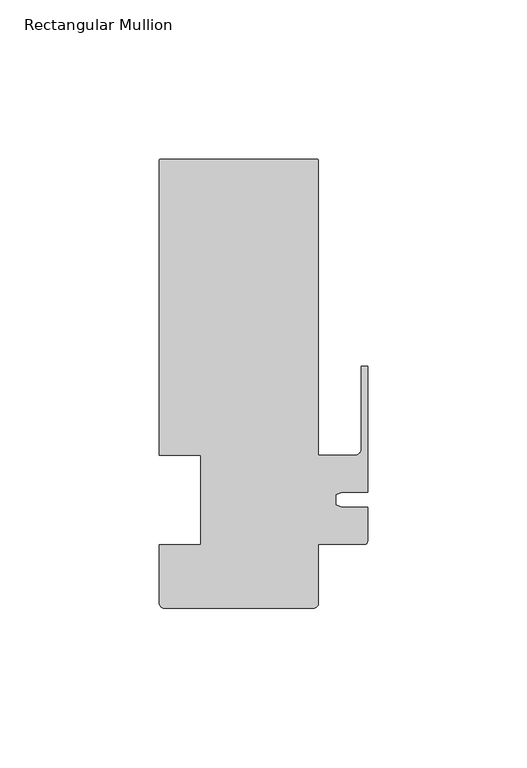
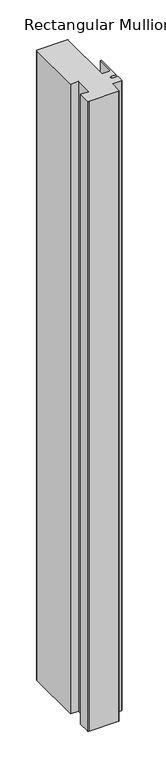
"""IFC4 building model written with IfcOpenShell, lengths in millimetres: member geometry, Rectangular Mullion."""

from ifc_helpers import new_model, si_unit, frame, origin, place, context, project, spatial, polyline, circle_curve, source, transform, mapped, element, save
from ifc_brep_helpers import plane_surface, cylinder_surface, revolved_surface, advanced_brep


def rectangular_mullion_b215a76e(model_context):
    return source(origin(), model_context, "Body", "AdvancedBrep", [
        advanced_brep(
        [(-64.9119017, 107.000001, 0.0), (-65.4119017, 106.500001, 0.0), (-65.4119017, 14.0, 0.0), (-52.4119017, 14.0, 0.0), (-52.4119017, -14.0, 0.0), (-65.4119018, -14.0, 0.0), (-65.4119018, -32.4268412, 0.0), (-63.838744, -33.999999, 0.0), (-17.0294441, -33.999999, 0.0), (-15.4119017, -32.3824565, 0.0), (-15.4119017, -14.0, 0.0), (-1.0000001, -14.0, 0.0), (0.0, -12.9950012, 0.0), (0.0, -2.3717384, 0.0), (-8.0873177, -2.3717384, 0.0), (-9.9999999, -1.4798401, 0.0), (-9.9999999, 1.5598311, 0.0), (-8.1376447, 2.4282616, 0.0), (0.0, 2.4282616, 0.0), (0.0, 42.000001, 0.0), (-2.0000001, 42.000001, 0.0), (-2.0000001, 16.0000006, 0.0), (-4.0, 14.0000007, 0.0), (-15.4119017, 14.0, 0.0), (-15.4119017, 106.500001, 0.0), (-15.9119017, 107.000001, 0.0), (-64.9119017, 107.000001, -1050.0), (-15.9119017, 107.000001, -1050.0), (-15.4119017, 106.500001, -1050.0), (-15.4119017, 14.0, -1050.0), (-3.9999999, 14.0, -1050.0), (-2.0000001, 16.0000006, -1050.0), (-2.0000001, 42.000001, -1050.0), (0.0, 42.000001, -1050.0), (0.0, 2.4282616, -1050.0), (-8.1376447, 2.4282616, -1050.0), (-9.9999999, 1.5598311, -1050.0), (-9.9999999, -1.4798401, -1050.0), (-8.0873177, -2.3717384, -1050.0), (0.0, -2.3717384, -1050.0), (0.0, -12.9950012, -1050.0), (-1.0000001, -13.9950013, -1050.0), (-15.4119017, -14.0, -1050.0), (-15.4119017, -32.3824565, -1050.0), (-17.0294441, -33.999999, -1050.0), (-63.838744, -33.999999, -1050.0), (-65.4119018, -32.4268412, -1050.0), (-65.4119018, -14.0, -1050.0), (-52.4119017, -14.0, -1050.0), (-52.4119017, 14.0, -1050.0), (-65.4119017, 14.0, -1050.0), (-65.4119017, 106.500001, -1050.0)],
        [
            (0, 1, circle_curve(frame((-64.9119017, 106.500001, 0.0), z_axis=(0.0, 0.0, 1.0), x_axis=(-1.0, 0.0, 0.0)), 0.5)),
            (1, 2),
            (2, 3),
            (3, 4),
            (4, 5),
            (5, 6),
            (6, 7, circle_curve(frame((-63.838744, -32.4268412, 0.0), z_axis=(0.0, 0.0, 1.0), x_axis=(-1.0, 0.0, 0.0)), 1.5731578)),
            (7, 8),
            (8, 9, circle_curve(frame((-17.0294441, -32.3824565, 0.0), z_axis=(0.0, 0.0, 1.0), x_axis=(-1.0, 0.0, 0.0)), 1.6175425)),
            (9, 10),
            (10, 11),
            (11, 12, circle_curve(frame((-1.0000001, -12.9950012, 0.0), z_axis=(0.0, 0.0, 1.0), x_axis=(-1.0, 0.0, 0.0)), 1.0000001)),
            (12, 13),
            (13, 14),
            (14, 15),
            (15, 16),
            (16, 17),
            (17, 18),
            (18, 19),
            (19, 20),
            (20, 21),
            (21, 22, circle_curve(frame((-4.0, 16.0000006, 0.0), z_axis=(0.0, 0.0, -1.0), x_axis=(-1.0, 0.0, 0.0)), 1.9999999)),
            (22, 23),
            (23, 24),
            (24, 25, circle_curve(frame((-15.9119017, 106.500001, 0.0), z_axis=(0.0, 0.0, 1.0), x_axis=(-1.0, 0.0, 0.0)), 0.5)),
            (25, 0),
            (26, 27),
            (27, 28, circle_curve(frame((-15.9119017, 106.500001, -1050.0), z_axis=(0.0, 0.0, -1.0), x_axis=(-1.0, 0.0, 0.0)), 0.5)),
            (28, 29),
            (29, 30),
            (30, 31, circle_curve(frame((-4.0, 16.0000006, -1050.0), z_axis=(0.0, 0.0, 1.0), x_axis=(-1.0, 0.0, 0.0)), 1.9999999)),
            (31, 32),
            (32, 33),
            (33, 34),
            (34, 35),
            (35, 36),
            (36, 37),
            (37, 38),
            (38, 39),
            (39, 40),
            (40, 41, circle_curve(frame((-1.0000001, -12.9950012, -1050.0), z_axis=(0.0, 0.0, -1.0), x_axis=(-1.0, 0.0, 0.0)), 1.0000001)),
            (41, 42),
            (42, 43),
            (43, 44, circle_curve(frame((-17.0294441, -32.3824565, -1050.0), z_axis=(0.0, 0.0, -1.0), x_axis=(-1.0, 0.0, 0.0)), 1.6175425)),
            (44, 45),
            (45, 46, circle_curve(frame((-63.838744, -32.4268412, -1050.0), z_axis=(0.0, 0.0, -1.0), x_axis=(-1.0, 0.0, 0.0)), 1.5731578)),
            (46, 47),
            (47, 48),
            (48, 49),
            (49, 50),
            (50, 51),
            (51, 26, circle_curve(frame((-64.9119017, 106.500001, -1050.0), z_axis=(0.0, 0.0, -1.0), x_axis=(-1.0, 0.0, 0.0)), 0.5)),
            (0, 26),
            (51, 1),
            (50, 2),
            (49, 3),
            (48, 4),
            (47, 5),
            (46, 6),
            (45, 7),
            (44, 8),
            (43, 9),
            (42, 10),
            (41, 11),
            (40, 12),
            (39, 13),
            (38, 14),
            (37, 15),
            (36, 16),
            (35, 17),
            (34, 18),
            (33, 19),
            (32, 20),
            (31, 21),
            (30, 22),
            (29, 23),
            (28, 24),
            (27, 25),
        ],
        [
            plane_surface(frame((0.0, -125.2088723, 0.0), z_axis=(0.0, 0.0, 1.0), x_axis=(-1.0, 0.0, 0.0))),
            plane_surface(frame((0.0, -125.2088723, -1050.0), z_axis=(0.0, 0.0, -1.0), x_axis=(-1.0, 0.0, 0.0))),
            cylinder_surface(frame((-64.9119017, 106.500001, 0.0), z_axis=(0.0, 0.0, 1.0), x_axis=(-1.0, 0.0, 0.0)), 0.5),
            plane_surface(frame((-65.4119017, 106.500001, 0.0), z_axis=(-1.0, 0.0, 0.0), x_axis=(0.0, 0.0, -1.0))),
            plane_surface(frame((-65.4119017, 14.0, 0.0), z_axis=(0.0, -1.0, 0.0), x_axis=(0.0, 0.0, -1.0))),
            plane_surface(frame((-52.4119017, 14.0, 0.0), z_axis=(-1.0, 0.0, 0.0), x_axis=(0.0, 0.0, -1.0))),
            plane_surface(frame((-52.4119017, -14.0, 0.0), z_axis=(0.0, 1.0, 0.0), x_axis=(0.0, 0.0, -1.0))),
            plane_surface(frame((-65.4119018, -14.0, 0.0), z_axis=(-1.0, 0.0, 0.0), x_axis=(0.0, 0.0, -1.0))),
            cylinder_surface(frame((-63.838744, -32.4268412, 0.0), z_axis=(0.0, 0.0, 1.0), x_axis=(-1.0, 0.0, 0.0)), 1.5731578),
            plane_surface(frame((-63.838744, -33.999999, 0.0), z_axis=(0.0, -1.0, 0.0), x_axis=(0.0, 0.0, -1.0))),
            cylinder_surface(frame((-17.0294441, -32.3824565, 0.0), z_axis=(0.0, 0.0, 1.0), x_axis=(-1.0, 0.0, 0.0)), 1.6175425),
            plane_surface(frame((-15.4119017, -32.3824565, 0.0), z_axis=(1.0, 0.0, 0.0), x_axis=(0.0, 0.0, -1.0))),
            plane_surface(frame((-15.4119017, -14.0, 0.0), z_axis=(0.0, -1.0, 0.0), x_axis=(0.0, 0.0, -1.0))),
            cylinder_surface(frame((-1.0000001, -12.9950012, 0.0), z_axis=(0.0, 0.0, 1.0), x_axis=(-1.0, 0.0, 0.0)), 1.0000001),
            plane_surface(frame((0.0, -12.9950012, 0.0), z_axis=(1.0, 0.0, 0.0), x_axis=(0.0, 0.0, -1.0))),
            plane_surface(frame((0.0, -2.3717384, 0.0), z_axis=(0.0, 1.0, 0.0), x_axis=(0.0, 0.0, -1.0))),
            plane_surface(frame((-8.0873177, -2.3717384, 0.0), z_axis=(0.42261826174182476, 0.9063077870361252, 0.0), x_axis=(0.0, 0.0, -1.0))),
            plane_surface(frame((-9.9999999, -1.4798401, 0.0), z_axis=(1.0, 0.0, 0.0), x_axis=(0.0, 0.0, -1.0))),
            plane_surface(frame((-9.9999999, 1.5598311, 0.0), z_axis=(0.4226182617404111, -0.9063077870367845, 0.0), x_axis=(0.0, 0.0, -1.0))),
            plane_surface(frame((-8.1376447, 2.4282616, 0.0), z_axis=(0.0, -1.0, 0.0), x_axis=(0.0, 0.0, -1.0))),
            plane_surface(frame((0.0, 2.4282616, 0.0), z_axis=(1.0, 0.0, 0.0), x_axis=(0.0, 0.0, -1.0))),
            plane_surface(frame((0.0, 42.000001, 0.0), z_axis=(0.0, 1.0, 0.0), x_axis=(0.0, 0.0, -1.0))),
            plane_surface(frame((-2.0000001, 42.000001, 0.0), z_axis=(-1.0, 0.0, 0.0), x_axis=(0.0, 0.0, -1.0))),
            revolved_surface(polyline([(-5.9999999, 16.0000006, -1050.0), (-5.9999999, 16.0000006, 0.0)]), (-4.0, 16.0000006, 0.0), (0.0, 0.0, -1.0)),
            plane_surface(frame((-3.9999999, 14.0, 0.0), z_axis=(0.0, 1.0, 0.0), x_axis=(0.0, 0.0, -1.0))),
            plane_surface(frame((-15.4119017, 14.0, 0.0), z_axis=(1.0, 0.0, 0.0), x_axis=(0.0, 0.0, -1.0))),
            cylinder_surface(frame((-15.9119017, 106.500001, 0.0), z_axis=(0.0, 0.0, 1.0), x_axis=(-1.0, 0.0, 0.0)), 0.5),
            plane_surface(frame((-15.9119017, 107.000001, 0.0), z_axis=(0.0, 1.0, 0.0), x_axis=(0.0, 0.0, -1.0))),
        ],
        [
            (0, [[1, 2, 3, 4, 5, 6, 7, 8, 9, 10, 11, 12, 13, 14, 15, 16, 17, 18, 19, 20, 21, 22, 23, 24, 25, 26]]),
            (1, [[27, 28, 29, 30, 31, 32, 33, 34, 35, 36, 37, 38, 39, 40, 41, 42, 43, 44, 45, 46, 47, 48, 49, 50, 51, 52]]),
            (2, [[-1, 53, -52, 54]]),
            (3, [[-2, -54, -51, 55]]),
            (4, [[-3, -55, -50, 56]]),
            (5, [[-4, -56, -49, 57]]),
            (6, [[-5, -57, -48, 58]]),
            (7, [[-6, -58, -47, 59]]),
            (8, [[-7, -59, -46, 60]]),
            (9, [[-8, -60, -45, 61]]),
            (10, [[-9, -61, -44, 62]]),
            (11, [[-10, -62, -43, 63]]),
            (12, [[-11, -63, -42, 64]]),
            (13, [[-12, -64, -41, 65]]),
            (14, [[-13, -65, -40, 66]]),
            (15, [[-14, -66, -39, 67]]),
            (16, [[-15, -67, -38, 68]]),
            (17, [[-16, -68, -37, 69]]),
            (18, [[-17, -69, -36, 70]]),
            (19, [[-18, -70, -35, 71]]),
            (20, [[-19, -71, -34, 72]]),
            (21, [[-20, -72, -33, 73]]),
            (22, [[-21, -73, -32, 74]]),
            (23, [[-22, -74, -31, 75]]),
            (24, [[-23, -75, -30, 76]]),
            (25, [[-24, -76, -29, 77]]),
            (26, [[-25, -77, -28, 78]]),
            (27, [[-26, -78, -27, -53]]),
        ],
    ),
    ])


if __name__ == "__main__":
    model = new_model("IFC4")
    model_context = context("Model", 3, world=origin())
    ifc_project = project(units=[si_unit("LENGTHUNIT", "METRE", prefix="MILLI")], contexts=[model_context])
    site = spatial("IfcSite", under=ifc_project)
    building = spatial("IfcBuilding", under=site)
    placement = place(None, origin())
    rectangular_mullion_shape = rectangular_mullion_b215a76e(model_context)
    element("IfcMember", 1, ObjectType="Rectangular Mullion", at=placement, inside=building, context=model_context, shape_type="MappedRepresentation", body=[
        mapped(rectangular_mullion_shape, transform((0.0, 0.0, 0.0), x_axis=(1.0, 0.0, 0.0), y_axis=(0.0, 1.0, 0.0), z_axis=(0.0, 0.0, 1.0))),
    ])
    save(model, "model.ifc")
